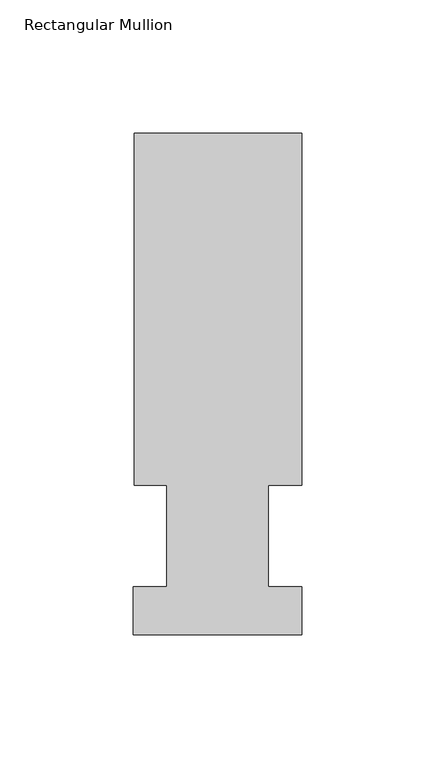
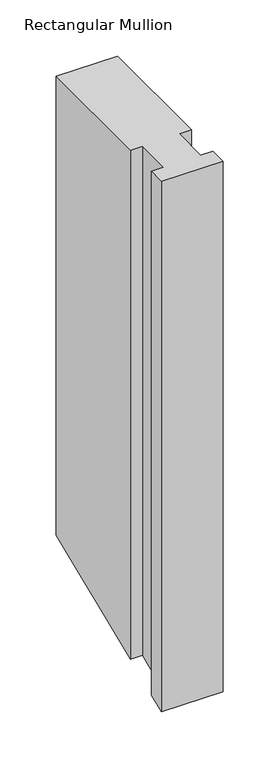
"""IFC4 building model written with IfcOpenShell, lengths in millimetres: member geometry, Rectangular Mullion."""

from ifc_helpers import new_model, si_unit, origin, place, context, project, spatial, faceted_brep, source, transform, mapped, element, save


def rectangular_mullion_9520e6b7(model_context):
    return source(origin(), model_context, "Body", "Brep", [
        faceted_brep([(-63.0936, 189.0895062, 0.0), (-63.0936, 56.6539063, 0.0), (-50.8, 56.6539063, 0.0), (-50.8, 18.5539063, 0.0), (-63.5, 18.5539063, 0.0), (-63.5, 0.5199062, 0.0), (0.0, 0.5199062, 0.0), (0.0, 18.5539063, 0.0), (-12.6746, 18.5539063, 0.0), (-12.6746, 56.6539063, 0.0), (0.0, 56.6539063, 0.0), (0.0, 189.0895062, 0.0), (-63.0936, 189.0895062, -499.526562), (-63.0936, 56.6539063, -554.3831837), (-50.8, 56.6539063, -554.3831837), (-50.8, 18.5539063, -570.1647204), (-63.5, 18.5539063, -570.1647204), (-63.5, 0.5199062, -577.6346478), (0.0, 0.5199062, -577.6346478), (0.0, 18.5539063, -570.1647204), (-12.6746, 18.5539063, -570.1647204), (-12.6746, 56.6539063, -554.3831837), (0.0, 56.6539063, -554.3831837), (0.0, 189.0895062, -499.526562)], [[[0, 1, 2, 3, 4, 5, 6, 7, 8, 9, 10, 11]], [[1, 0, 12, 13]], [[2, 1, 13, 14]], [[3, 2, 14, 15]], [[4, 3, 15, 16]], [[5, 4, 16, 17]], [[6, 5, 17, 18]], [[7, 6, 18, 19]], [[8, 7, 19, 20]], [[9, 8, 20, 21]], [[10, 9, 21, 22]], [[11, 10, 22, 23]], [[0, 11, 23, 12]], [[12, 23, 22, 21, 20, 19, 18, 17, 16, 15, 14, 13]]]),
    ])


if __name__ == "__main__":
    model = new_model("IFC4")
    model_context = context("Model", 3, world=origin())
    ifc_project = project(units=[si_unit("LENGTHUNIT", "METRE", prefix="MILLI")], contexts=[model_context])
    site = spatial("IfcSite", under=ifc_project)
    building = spatial("IfcBuilding", under=site)
    placement = place(None, origin())
    rectangular_mullion_shape = rectangular_mullion_9520e6b7(model_context)
    element("IfcMember", 1, ObjectType="Rectangular Mullion", at=placement, inside=building, context=model_context, shape_type="MappedRepresentation", body=[
        mapped(rectangular_mullion_shape, transform((0.0, 0.0, 0.0), x_axis=(1.0, 0.0, 0.0), y_axis=(0.0, 1.0, 0.0), z_axis=(0.0, 0.0, 1.0))),
    ])
    save(model, "model.ifc")
